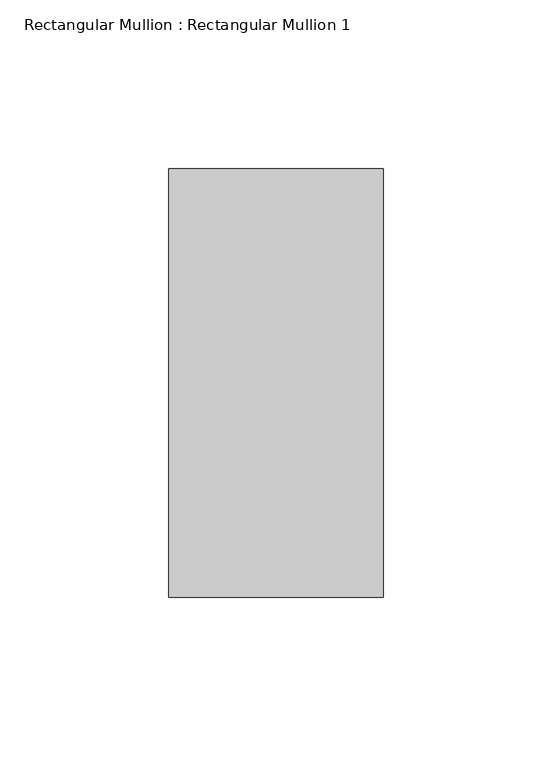
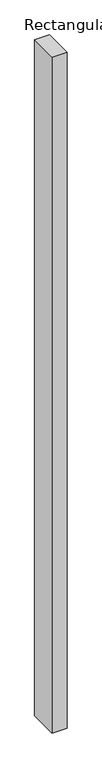
"""IFC4 building model written with IfcOpenShell, lengths in millimetres: member geometry, Rectangular Mullion : Rectangular Mullion 1."""

from ifc_helpers import new_model, si_unit, frame, origin, place, context, project, spatial, polyline, outline, extrude, source, transform, mapped, element, save


def rectangular_mullion_rectangular_mullion_1_13b0e0f4(model_context):
    return source(origin(), model_context, "Body", "SweptSolid", [
        extrude(outline(polyline([(0.0, 63.5), (0.0, -63.5), (-63.5, -63.5), (-63.5, 63.5), (0.0, 63.5)])), frame((0.0, 0.0, -3016.25), z_axis=(0.0, 0.0, 1.0), x_axis=(1.0, 0.0, 0.0)), (0.0, 0.0, 1.0), 3016.25),
    ])


if __name__ == "__main__":
    model = new_model("IFC4")
    model_context = context("Model", 3, world=origin())
    ifc_project = project(units=[si_unit("LENGTHUNIT", "METRE", prefix="MILLI")], contexts=[model_context])
    site = spatial("IfcSite", under=ifc_project)
    building = spatial("IfcBuilding", under=site)
    placement = place(None, origin())
    rectangular_mullion_rectangular_mullion_1_shape = rectangular_mullion_rectangular_mullion_1_13b0e0f4(model_context)
    element("IfcMember", 1, ObjectType="Rectangular Mullion : Rectangular Mullion 1", at=placement, inside=building, context=model_context, shape_type="MappedRepresentation", body=[
        mapped(rectangular_mullion_rectangular_mullion_1_shape, transform((0.0, 0.0, 0.0), x_axis=(1.0, 0.0, 0.0), y_axis=(0.0, 1.0, 0.0), z_axis=(0.0, 0.0, 1.0))),
    ])
    save(model, "model.ifc")
